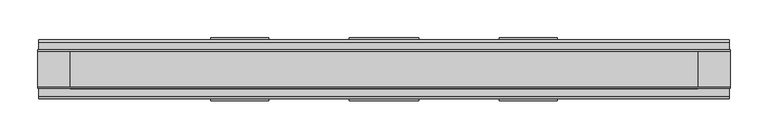
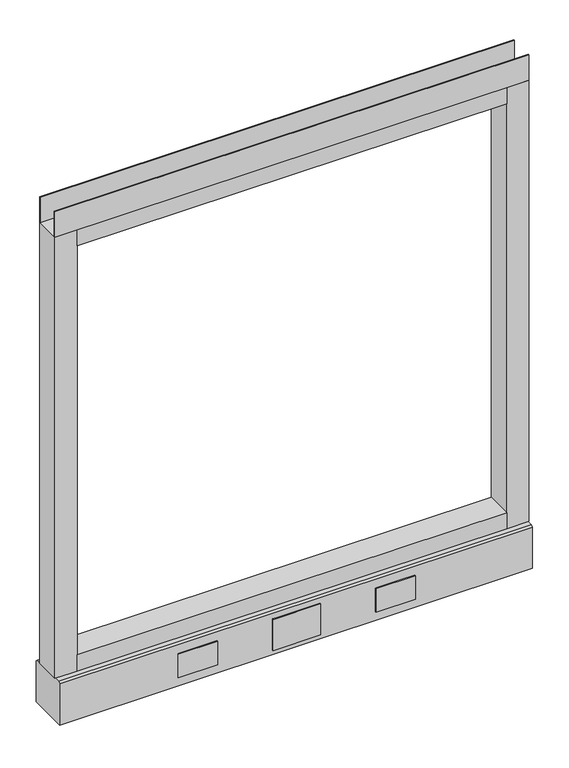
"""IFC4 building model written with IfcOpenShell, lengths in millimetres: furniture geometry."""

from ifc_helpers import new_model, si_unit, point, frame, frame_2d, origin, place, context, project, spatial, polyline, circle_curve, trimmed, segment, composite_curve, outline, extrude, source, transform, mapped, element, save
from ifc_brep_helpers import plane_surface, revolved_surface, advanced_brep


def furniture_f48ef8b1(model_context):
    return source(origin(), model_context, "Body", "SolidModel", [
        advanced_brep(
        [(387.35, 0.0, 6.35), (412.75, 0.0, 6.35), (381.0, 0.0, 0.0), (419.1, 0.0, 0.0)],
        [
            (0, 1, circle_curve(frame((400.05, 0.0, 6.35), z_axis=(0.0, 0.0, 1.0), x_axis=(-1.0, 0.0, 0.0)), 12.7)),
            (1, 0, circle_curve(frame((400.05, 0.0, 6.35), z_axis=(0.0, 0.0, 1.0), x_axis=(1.0, 0.0, 0.0)), 12.7)),
            (2, 3, circle_curve(frame((400.05, 0.0, 0.0), z_axis=(0.0, 0.0, -1.0), x_axis=(1.0, 0.0, 0.0)), 19.05)),
            (3, 2, circle_curve(frame((400.05, 0.0, 0.0), z_axis=(0.0, 0.0, -1.0), x_axis=(-1.0, 0.0, 0.0)), 19.05)),
            (3, 1),
            (0, 2),
        ],
        [
            plane_surface(frame((400.05, 0.0, 6.35), z_axis=(0.0, 0.0, 1.0), x_axis=(0.0, -1.0, 0.0))),
            plane_surface(frame((400.05, 0.0, 0.0), z_axis=(0.0, 0.0, -1.0), x_axis=(0.0, -1.0, 0.0))),
            revolved_surface(polyline([(387.35, 0.0, 6.35), (381.0, 0.0, 0.0)]), (400.05, 0.0, 19.05), (0.0, 0.0, -1.0)),
            revolved_surface(polyline([(412.75, 0.0, 6.35), (419.1, 0.0, 0.0)]), (400.05, 0.0, 19.05), (0.0, 0.0, -1.0)),
        ],
        [
            (0, [[1, 2]]),
            (1, [[3, 4]]),
            (2, [[-4, 5, -1, 6]]),
            (3, [[-3, -6, -2, -5]]),
        ],
    ),
        advanced_brep(
        [(-412.75, 0.0, 6.35), (-387.35, 0.0, 6.35), (-419.1, 0.0, 0.0), (-381.0, 0.0, 0.0)],
        [
            (0, 1, circle_curve(frame((-400.05, 0.0, 6.35), z_axis=(0.0, 0.0, 1.0), x_axis=(-1.0, 0.0, 0.0)), 12.7)),
            (1, 0, circle_curve(frame((-400.05, 0.0, 6.35), z_axis=(0.0, 0.0, 1.0), x_axis=(1.0, 0.0, 0.0)), 12.7)),
            (2, 3, circle_curve(frame((-400.05, 0.0, 0.0), z_axis=(0.0, 0.0, -1.0), x_axis=(1.0, 0.0, 0.0)), 19.05)),
            (3, 2, circle_curve(frame((-400.05, 0.0, 0.0), z_axis=(0.0, 0.0, -1.0), x_axis=(-1.0, 0.0, 0.0)), 19.05)),
            (3, 1),
            (0, 2),
        ],
        [
            plane_surface(frame((-400.05, 0.0, 6.35), z_axis=(0.0, 0.0, 1.0), x_axis=(0.0, -1.0, 0.0))),
            plane_surface(frame((-400.05, 0.0, 0.0), z_axis=(0.0, 0.0, -1.0), x_axis=(0.0, -1.0, 0.0))),
            revolved_surface(polyline([(-412.75, 0.0, 6.35), (-419.1, 0.0, 0.0)]), (-400.05, 0.0, 19.05), (0.0, 0.0, -1.0)),
            revolved_surface(polyline([(-387.35, 0.0, 6.35), (-381.0, 0.0, 0.0)]), (-400.05, 0.0, 19.05), (0.0, 0.0, -1.0)),
        ],
        [
            (0, [[1, 2]]),
            (1, [[3, 4]]),
            (2, [[-4, 5, -1, 6]]),
            (3, [[-3, -6, -2, -5]]),
        ],
    ),
        extrude(outline(polyline([(457.2, -23.8125), (457.2, -25.4), (-457.2, -25.4), (-457.2, -23.8125), (457.2, -23.8125)])), frame((0.0, 0.0, 1000.633), z_axis=(0.0, 0.0, 1.0), x_axis=(1.0, 0.0, 0.0)), (0.0, 0.0, 1.0), 51.435),
        extrude(outline(polyline([(457.2, 25.4), (457.2, 23.8125), (-457.2, 23.8125), (-457.2, 25.4), (457.2, 25.4)])), frame((0.0, 0.0, 1000.633), z_axis=(0.0, 0.0, 1.0), x_axis=(1.0, 0.0, 0.0)), (0.0, 0.0, 1.0), 51.435),
        extrude(outline(polyline([(414.3375, -25.4), (-414.3375, -25.4), (-414.3375, 25.4), (414.3375, 25.4), (414.3375, -25.4)])), frame((0.0, 0.0, 967.74), z_axis=(0.0, 0.0, 1.0), x_axis=(1.0, 0.0, 0.0)), (0.0, 0.0, 1.0), 32.893),
        extrude(outline(polyline([(414.3375, -25.4), (-414.3375, -25.4), (-414.3375, 25.4), (414.3375, 25.4), (414.3375, -25.4)])), frame((0.0, 0.0, 101.6), z_axis=(0.0, 0.0, 1.0), x_axis=(1.0, 0.0, 0.0)), (0.0, 0.0, 1.0), 32.893),
        extrude(outline(composite_curve([segment(trimmed(circle_curve(frame_2d((-400.05, 0.0)), 5.55625), [point((-405.60625, 0.0))], [point((-394.49375, 0.0))], False, "CARTESIAN"), True, "CONTINUOUS"), segment(trimmed(circle_curve(frame_2d((-400.05, 0.0)), 5.55625), [point((-394.49375, 0.0))], [point((-405.60625, 0.0))], False, "CARTESIAN"), True, "CONTINUOUS")], self_intersect=False)), frame((0.0, 0.0, 6.35), z_axis=(0.0, 0.0, 1.0), x_axis=(1.0, 0.0, 0.0)), (0.0, 0.0, 1.0), 7.9375),
        extrude(outline(composite_curve([segment(trimmed(circle_curve(frame_2d((400.05, 0.0)), 5.55625), [point((394.49375, 0.0))], [point((405.60625, 0.0))], False, "CARTESIAN"), True, "CONTINUOUS"), segment(trimmed(circle_curve(frame_2d((400.05, 0.0)), 5.55625), [point((405.60625, 0.0))], [point((394.49375, 0.0))], False, "CARTESIAN"), True, "CONTINUOUS")], self_intersect=False)), frame((0.0, 0.0, 6.35), z_axis=(0.0, 0.0, 1.0), x_axis=(1.0, 0.0, 0.0)), (0.0, 0.0, 1.0), 7.9375),
        extrude(outline(polyline([(-414.3375, -25.4), (-457.2, -25.4), (-457.2, 25.4), (-414.3375, 25.4), (-414.3375, -25.4)])), frame((0.0, 0.0, 101.6), z_axis=(0.0, 0.0, 1.0), x_axis=(1.0, 0.0, 0.0)), (0.0, 0.0, 1.0), 899.033),
        extrude(outline(polyline([(457.2, -25.4), (414.3375, -25.4), (414.3375, 25.4), (457.2, 25.4), (457.2, -25.4)])), frame((0.0, 0.0, 101.6), z_axis=(0.0, 0.0, 1.0), x_axis=(1.0, 0.0, 0.0)), (0.0, 0.0, 1.0), 899.033),
        extrude(outline(polyline([(-35.9171875, 101.6), (35.9171875, 101.6), (39.0921875, 98.425), (39.0921875, 14.2875), (-39.0921875, 14.2875), (-39.0921875, 98.425), (-35.9171875, 101.6)])), frame((-456.057, 0.0, 0.0), z_axis=(1.0, 0.0, 0.0), x_axis=(0.0, 1.0, 0.0)), (0.0, 0.0, 1.0), 912.1140102),
        extrude(outline(polyline([(228.6, 39.0921875), (152.4, 39.0921875), (152.4, 41.4020035), (228.6, 41.4020035), (228.6, 39.0921875)])), frame((0.0, 0.0, 32.512), z_axis=(0.0, 0.0, 1.0), x_axis=(1.0, 0.0, 0.0)), (0.0, 0.0, 1.0), 48.26),
        extrude(outline(polyline([(45.7708, 39.0921875), (-45.7708, 39.0921875), (-45.7708, 41.4020035), (45.7708, 41.4020035), (45.7708, 39.0921875)])), frame((0.0, 0.0, 23.8125), z_axis=(0.0, 0.0, 1.0), x_axis=(1.0, 0.0, 0.0)), (0.0, 0.0, 1.0), 63.5),
        extrude(outline(polyline([(-152.4, 39.0921875), (-228.6, 39.0921875), (-228.6, 41.4020035), (-152.4, 41.4020035), (-152.4, 39.0921875)])), frame((0.0, 0.0, 32.512), z_axis=(0.0, 0.0, 1.0), x_axis=(1.0, 0.0, 0.0)), (0.0, 0.0, 1.0), 48.26),
        extrude(outline(polyline([(228.6, -41.4019923), (152.4, -41.4019923), (152.4, -39.0921875), (228.6, -39.0921875), (228.6, -41.4019923)])), frame((0.0, 0.0, 32.512), z_axis=(0.0, 0.0, 1.0), x_axis=(1.0, 0.0, 0.0)), (0.0, 0.0, 1.0), 48.26),
        extrude(outline(polyline([(-152.4, -41.4019923), (-228.6, -41.4019923), (-228.6, -39.0921875), (-152.4, -39.0921875), (-152.4, -41.4019923)])), frame((0.0, 0.0, 32.512), z_axis=(0.0, 0.0, 1.0), x_axis=(1.0, 0.0, 0.0)), (0.0, 0.0, 1.0), 48.26),
        extrude(outline(polyline([(45.7708, -41.4019923), (-45.7708, -41.4019923), (-45.7708, -39.0921875), (45.7708, -39.0921875), (45.7708, -41.4019923)])), frame((0.0, 0.0, 23.8125), z_axis=(0.0, 0.0, 1.0), x_axis=(1.0, 0.0, 0.0)), (0.0, 0.0, 1.0), 63.5),
    ])


if __name__ == "__main__":
    model = new_model("IFC4")
    model_context = context("Model", 3, world=origin())
    ifc_project = project(units=[si_unit("LENGTHUNIT", "METRE", prefix="MILLI")], contexts=[model_context])
    site = spatial("IfcSite", under=ifc_project)
    building = spatial("IfcBuilding", under=site)
    placement = place(None, origin())
    furniture_shape = furniture_f48ef8b1(model_context)
    element("IfcFurniture", 1, at=placement, inside=building, context=model_context, shape_type="MappedRepresentation", body=[
        mapped(furniture_shape, transform((0.0, 0.0, 0.0), x_axis=(1.0, 0.0, 0.0), y_axis=(0.0, 1.0, 0.0), z_axis=(0.0, 0.0, 1.0))),
    ])
    save(model, "model.ifc")
